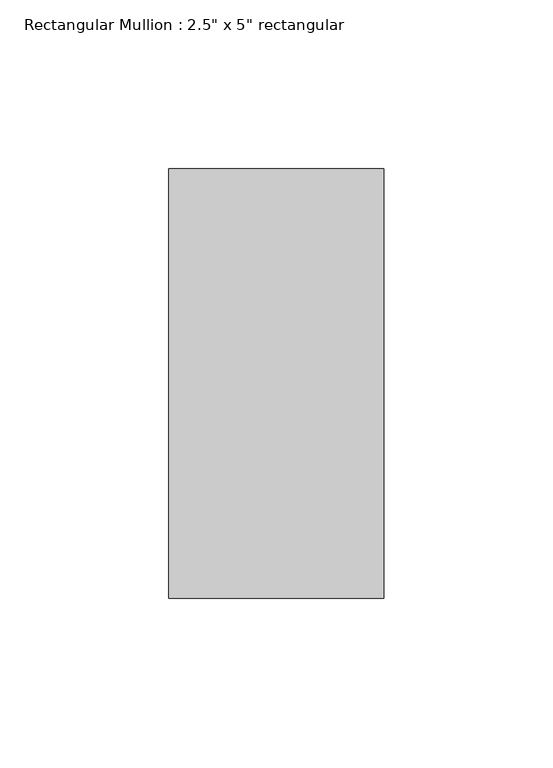
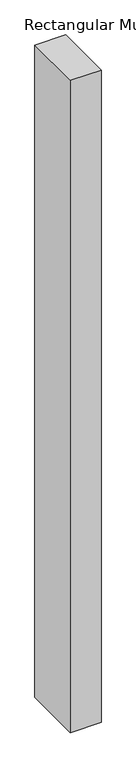
"""IFC4 building model written with IfcOpenShell, lengths in millimetres: member geometry."""

from ifc_helpers import new_model, si_unit, frame, origin, place, context, project, spatial, polyline, outline, extrude, source, transform, mapped, element, save


def member_5599eeff(model_context):
    return source(origin(), model_context, "Body", "SweptSolid", [
        extrude(outline(polyline([(0.0, 63.5), (0.0, -63.5), (-63.5, -63.5), (-63.5, 63.5), (0.0, 63.5)])), frame((0.0, 0.0, -1428.7500002), z_axis=(0.0, 0.0, 1.0), x_axis=(1.0, 0.0, 0.0)), (0.0, 0.0, 1.0), 1428.7500002),
    ])


if __name__ == "__main__":
    model = new_model("IFC4")
    model_context = context("Model", 3, world=origin())
    ifc_project = project(units=[si_unit("LENGTHUNIT", "METRE", prefix="MILLI")], contexts=[model_context])
    site = spatial("IfcSite", under=ifc_project)
    building = spatial("IfcBuilding", under=site)
    placement = place(None, origin())
    member_shape = member_5599eeff(model_context)
    element("IfcMember", 1, ObjectType="Rectangular Mullion : 2.5\" x 5\" rectangular", at=placement, inside=building, context=model_context, shape_type="MappedRepresentation", body=[
        mapped(member_shape, transform((0.0, 0.0, 0.0), x_axis=(1.0, 0.0, 0.0), y_axis=(0.0, 1.0, 0.0), z_axis=(0.0, 0.0, 1.0))),
    ])
    save(model, "model.ifc")
